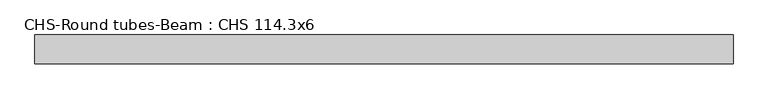
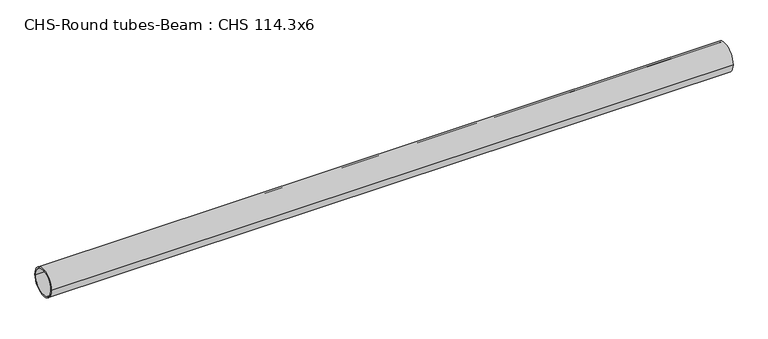
"""IFC4 building model written with IfcOpenShell, lengths in millimetres: beam geometry, CHS-Round tubes-Beam : CHS 114.3x6."""

from ifc_helpers import new_model, si_unit, point, frame, origin, origin_2d, place, context, project, spatial, circle_curve, trimmed, segment, composite_curve, outline, extrude, source, transform, mapped, element, save


def chs_round_tubes_beam_chs_114_3x6_bd057f5f(model_context):
    return source(origin(), model_context, "Body", "SweptSolid", [
        extrude(outline(composite_curve([segment(trimmed(circle_curve(origin_2d(), 57.15), [point((57.15, 0.0))], [point((-57.15, 0.0))], False, "CARTESIAN"), True, "CONTINUOUS"), segment(trimmed(circle_curve(origin_2d(), 57.15), [point((-57.15, 0.0))], [point((57.15, 0.0))], False, "CARTESIAN"), True, "CONTINUOUS")], self_intersect=False), holes=[composite_curve([segment(trimmed(circle_curve(origin_2d(), 51.15), [point((51.15, 0.0))], [point((-51.15, 0.0))], True, "CARTESIAN"), True, "CONTINUOUS"), segment(trimmed(circle_curve(origin_2d(), 51.15), [point((-51.15, 0.0))], [point((51.15, 0.0))], True, "CARTESIAN"), True, "CONTINUOUS")], self_intersect=False)]), frame((-1332.9744596, 0.0, 0.0), z_axis=(1.0, 0.0, 0.0), x_axis=(0.0, 1.0, 0.0)), (0.0, 0.0, 1.0), 2746.4424665),
    ])


if __name__ == "__main__":
    model = new_model("IFC4")
    model_context = context("Model", 3, world=origin())
    ifc_project = project(units=[si_unit("LENGTHUNIT", "METRE", prefix="MILLI")], contexts=[model_context])
    site = spatial("IfcSite", under=ifc_project)
    building = spatial("IfcBuilding", under=site)
    placement = place(None, origin())
    chs_round_tubes_beam_chs_114_3x6_shape = chs_round_tubes_beam_chs_114_3x6_bd057f5f(model_context)
    element("IfcBeam", 1, ObjectType="CHS-Round tubes-Beam : CHS 114.3x6", at=placement, inside=building, context=model_context, shape_type="MappedRepresentation", body=[
        mapped(chs_round_tubes_beam_chs_114_3x6_shape, transform((0.0, 0.0, 0.0), x_axis=(1.0, 0.0, 0.0), y_axis=(0.0, 1.0, 0.0), z_axis=(0.0, 0.0, 1.0))),
    ])
    save(model, "model.ifc")
